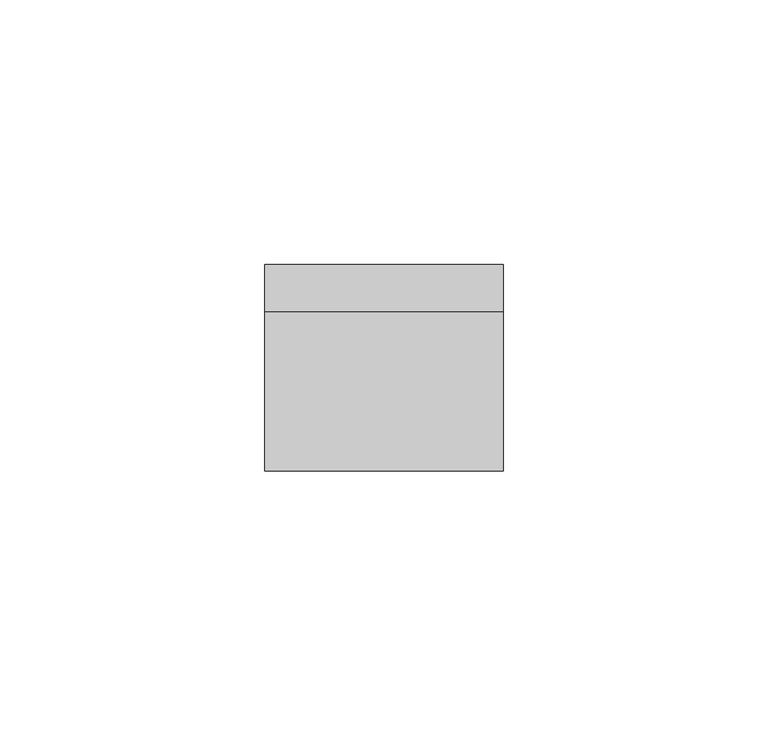
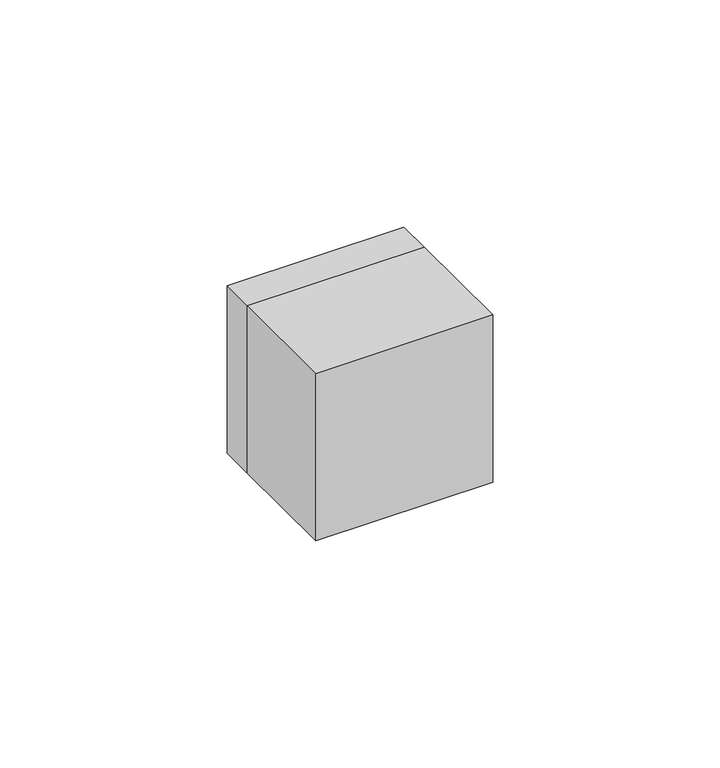
"""IFC4 building model written with IfcOpenShell, lengths in millimetres: proxy geometry."""

from ifc_helpers import new_model, si_unit, frame, origin, place, context, project, spatial, polyline, circle_curve, outline, extrude, source, transform, mapped, element, save
from ifc_brep_helpers import plane_surface, revolved_surface, advanced_brep


def electrical_fixtures_c571c74f(model_context):
    return source(origin(), model_context, "Body", "SolidModel", [
        extrude(outline(polyline([(22.5, -30.0), (-22.5, -30.0), (-22.5, 0.0), (22.5, 0.0), (22.5, -30.0)])), frame((0.0, 0.0, -22.5), z_axis=(0.0, 0.0, 1.0), x_axis=(1.0, 0.0, 0.0)), (0.0, 0.0, 1.0), 45.0),
        advanced_brep(
        [(22.5, 9.0, 22.5), (22.5, 9.0, -22.5), (-22.5, 9.0, -22.5), (-22.5, 9.0, 22.5), (-18.0, 9.0, 0.0), (18.0, 9.0, 0.0), (22.5, 0.0, 22.5), (-22.5, 0.0, 22.5), (-22.5, 0.0, -22.5), (22.5, 0.0, -22.5), (-7.0, 0.0, 0.0), (-12.0, 0.0, 0.0), (12.0, 0.0, 0.0), (7.0, 0.0, 0.0), (8.9731851, 0.0, 17.8120198), (12.5935718, 0.0, 21.4324065), (21.4324065, 0.0, 12.5935718), (17.8120198, 0.0, 8.9731851), (-17.8120198, 0.0, 8.9731851), (-21.4324065, 0.0, 12.5935718), (-12.5935718, 0.0, 21.4324065), (-8.9731851, 0.0, 17.8120198), (11.5329116, 0.0, 18.9575328), (18.9575328, 0.0, 11.5329116), (20.018193, 0.0, 12.5935718), (12.5935718, 0.0, 20.018193), (-18.9575328, 0.0, 11.5329116), (-11.5329116, 0.0, 18.9575328), (-12.5935718, 0.0, 20.018193), (-20.018193, 0.0, 12.5935718), (-7.0, 1.0, 0.0), (-12.0, 1.0, 0.0), (12.0, 1.0, 0.0), (7.0, 1.0, 0.0), (-18.0, 1.0, 0.0), (18.0, 1.0, 0.0), (8.9731851, 1.0, 17.8120198), (12.5935718, 1.0, 21.4324065), (17.8120198, 1.0, 8.9731851), (21.4324065, 1.0, 12.5935718), (11.5329116, 1.0, 18.9575328), (18.9575328, 1.0, 11.5329116), (12.5935718, 1.0, 20.018193), (20.018193, 1.0, 12.5935718), (-17.8120198, 1.0, 8.9731851), (-21.4324065, 1.0, 12.5935718), (-8.9731851, 1.0, 17.8120198), (-12.5935718, 1.0, 21.4324065), (-18.9575328, 1.0, 11.5329116), (-11.5329116, 1.0, 18.9575328), (-20.018193, 1.0, 12.5935718), (-12.5935718, 1.0, 20.018193)],
        [
            (0, 1),
            (1, 2),
            (2, 3),
            (3, 0),
            (4, 5, circle_curve(frame((0.0, 9.0, 0.0), z_axis=(0.0, -1.0, 0.0), x_axis=(1.0, 0.0, 0.0)), 18.0)),
            (5, 4, circle_curve(frame((0.0, 9.0, 0.0), z_axis=(0.0, -1.0, 0.0), x_axis=(1.0, 0.0, 0.0)), 18.0)),
            (6, 7),
            (7, 8),
            (8, 9),
            (9, 6),
            (10, 11, circle_curve(frame((-9.5, 0.0, 0.0), z_axis=(0.0, 1.0, 0.0), x_axis=(1.0, 0.0, 0.0)), 2.5)),
            (11, 10, circle_curve(frame((-9.5, 0.0, 0.0), z_axis=(0.0, 1.0, 0.0), x_axis=(1.0, 0.0, 0.0)), 2.5)),
            (12, 13, circle_curve(frame((9.5, 0.0, 0.0), z_axis=(0.0, 1.0, 0.0), x_axis=(1.0, 0.0, 0.0)), 2.5)),
            (13, 12, circle_curve(frame((9.5, 0.0, 0.0), z_axis=(0.0, 1.0, 0.0), x_axis=(1.0, 0.0, 0.0)), 2.5)),
            (14, 15),
            (15, 16),
            (16, 17),
            (17, 14),
            (18, 19),
            (19, 20),
            (20, 21),
            (21, 18),
            (22, 23),
            (23, 24),
            (24, 25),
            (25, 22),
            (26, 27),
            (27, 28),
            (28, 29),
            (29, 26),
            (3, 7),
            (6, 0),
            (2, 8),
            (1, 9),
            (10, 30),
            (30, 31, circle_curve(frame((-9.5, 1.0, 0.0), z_axis=(0.0, 1.0, 0.0), x_axis=(1.0, 0.0, 0.0)), 2.5)),
            (31, 11),
            (31, 30, circle_curve(frame((-9.5, 1.0, 0.0), z_axis=(0.0, 1.0, 0.0), x_axis=(1.0, 0.0, 0.0)), 2.5)),
            (12, 32),
            (32, 33, circle_curve(frame((9.5, 1.0, 0.0), z_axis=(0.0, 1.0, 0.0), x_axis=(1.0, 0.0, 0.0)), 2.5)),
            (33, 13),
            (33, 32, circle_curve(frame((9.5, 1.0, 0.0), z_axis=(0.0, 1.0, 0.0), x_axis=(1.0, 0.0, 0.0)), 2.5)),
            (34, 35, circle_curve(frame((0.0, 1.0, 0.0), z_axis=(0.0, 1.0, 0.0), x_axis=(1.0, 0.0, 0.0)), 18.0)),
            (35, 34, circle_curve(frame((0.0, 1.0, 0.0), z_axis=(0.0, 1.0, 0.0), x_axis=(1.0, 0.0, 0.0)), 18.0)),
            (35, 5),
            (4, 34),
            (36, 37),
            (37, 15),
            (14, 36),
            (38, 36),
            (17, 38),
            (39, 38),
            (16, 39),
            (37, 39),
            (40, 41),
            (41, 23),
            (22, 40),
            (42, 40),
            (25, 42),
            (43, 42),
            (24, 43),
            (41, 43),
            (44, 45),
            (45, 19),
            (18, 44),
            (46, 44),
            (21, 46),
            (47, 46),
            (20, 47),
            (45, 47),
            (48, 49),
            (49, 27),
            (26, 48),
            (50, 48),
            (29, 50),
            (51, 50),
            (28, 51),
            (49, 51),
        ],
        [
            plane_surface(frame((-39.0, 9.0, 22.5), z_axis=(0.0, 1.0, 0.0), x_axis=(1.0, 0.0, 0.0))),
            plane_surface(frame((-39.0, 0.0, 22.5), z_axis=(0.0, -1.0, 0.0), x_axis=(-1.0, 0.0, 0.0))),
            plane_surface(frame((22.5, 0.0, 22.5), z_axis=(0.0, 0.0, 1.0), x_axis=(0.0, 1.0, 0.0))),
            plane_surface(frame((-22.5, 0.0, 22.5), z_axis=(-1.0, 0.0, 0.0), x_axis=(0.0, 1.0, 0.0))),
            plane_surface(frame((-22.5, 0.0, -22.5), z_axis=(0.0, 0.0, -1.0), x_axis=(0.0, 1.0, 0.0))),
            plane_surface(frame((22.5, 0.0, -22.5), z_axis=(1.0, 0.0, 0.0), x_axis=(0.0, 1.0, 0.0))),
            revolved_surface(polyline([(-7.0, 0.0, 0.0), (-7.0, 1.0, 0.0)]), (-9.5, 1.0, 0.0), (0.0, -1.0, 0.0)),
            revolved_surface(polyline([(12.0, 0.0, 0.0), (12.0, 1.0, 0.0)]), (9.5, 0.0, 0.0), (0.0, -1.0, 0.0)),
            plane_surface(frame((18.0, 1.0, 0.0), z_axis=(0.0, 1.0, 0.0), x_axis=(0.0, 0.0, 1.0))),
            revolved_surface(polyline([(18.0, 1.0, 0.0), (18.0, 9.0, 0.0)]), (0.0, 9.0, 0.0), (0.0, -1.0, 0.0)),
            plane_surface(frame((12.5935718, 0.0, 21.4324065), z_axis=(0.7071067811865481, 0.0, -0.7071067811865469), x_axis=(0.0, 1.0, 0.0))),
            plane_surface(frame((8.9731851, 0.0, 17.8120198), z_axis=(0.707106781186547, 0.0, 0.7071067811865481), x_axis=(0.0, 1.0, 0.0))),
            plane_surface(frame((17.8120198, 0.0, 8.9731851), z_axis=(-0.707106781186549, 0.0, 0.7071067811865461), x_axis=(0.0, 1.0, 0.0))),
            plane_surface(frame((21.4324065, 0.0, 12.5935718), z_axis=(-0.7071067811865469, 0.0, -0.7071067811865482), x_axis=(0.0, 1.0, 0.0))),
            plane_surface(frame((18.9575328, 0.0, 11.5329116), z_axis=(-0.7071067811865468, 0.0, -0.7071067811865482), x_axis=(0.0, 1.0, 0.0))),
            plane_surface(frame((11.5329116, 0.0, 18.9575328), z_axis=(-0.7071067811865503, 0.0, 0.7071067811865447), x_axis=(0.0, 1.0, 0.0))),
            plane_surface(frame((12.5935718, 0.0, 20.018193), z_axis=(0.7071067811865468, 0.0, 0.7071067811865482), x_axis=(0.0, 1.0, 0.0))),
            plane_surface(frame((20.018193, 0.0, 12.5935718), z_axis=(0.7071067811865489, 0.0, -0.7071067811865461), x_axis=(0.0, 1.0, 0.0))),
            plane_surface(frame((-21.4324065, 0.0, 12.5935718), z_axis=(0.7071067811865465, 0.0, 0.7071067811865486), x_axis=(0.0, 1.0, 0.0))),
            plane_surface(frame((-17.8120198, 0.0, 8.9731851), z_axis=(-0.7071067811865488, 0.0, 0.7071067811865464), x_axis=(0.0, 1.0, 0.0))),
            plane_surface(frame((-8.9731851, 0.0, 17.8120198), z_axis=(-0.707106781186546, 0.0, -0.7071067811865491), x_axis=(0.0, 1.0, 0.0))),
            plane_surface(frame((-12.5935718, 0.0, 21.4324065), z_axis=(0.707106781186549, 0.0, -0.7071067811865461), x_axis=(0.0, 1.0, 0.0))),
            plane_surface(frame((-11.5329116, 0.0, 18.9575328), z_axis=(0.7071067811865488, 0.0, -0.7071067811865462), x_axis=(0.0, 1.0, 0.0))),
            plane_surface(frame((-18.9575328, 0.0, 11.5329116), z_axis=(-0.7071067811865455, 0.0, -0.7071067811865497), x_axis=(0.0, 1.0, 0.0))),
            plane_surface(frame((-20.018193, 0.0, 12.5935718), z_axis=(-0.7071067811865489, 0.0, 0.7071067811865462), x_axis=(0.0, 1.0, 0.0))),
            plane_surface(frame((-12.5935718, 0.0, 20.018193), z_axis=(0.7071067811865469, 0.0, 0.7071067811865482), x_axis=(0.0, 1.0, 0.0))),
            plane_surface(frame((12.5935718, 1.0, 21.4324065), z_axis=(0.0, -1.0, 0.0), x_axis=(0.7071067811865469, 0.0, 0.7071067811865481))),
            plane_surface(frame((-21.4324065, 1.0, 12.5935718), z_axis=(0.0, -1.0, 0.0), x_axis=(-0.7071067811865486, 0.0, 0.7071067811865465))),
        ],
        [
            (0, [[1, 2, 3, 4], [5, 6]]),
            (1, [[7, 8, 9, 10], [11, 12], [13, 14], [15, 16, 17, 18], [19, 20, 21, 22]]),
            (1, [[23, 24, 25, 26]]),
            (1, [[27, 28, 29, 30]]),
            (2, [[-4, 31, -7, 32]]),
            (3, [[-3, 33, -8, -31]]),
            (4, [[-2, 34, -9, -33]]),
            (5, [[-1, -32, -10, -34]]),
            (6, [[35, 36, 37, -11]]),
            (6, [[-35, -12, -37, 38]]),
            (7, [[39, 40, 41, -13]]),
            (7, [[-39, -14, -41, 42]]),
            (8, [[43, 44], [-36, -38], [-40, -42]]),
            (9, [[-44, 45, -5, 46]]),
            (9, [[-43, -46, -6, -45]]),
            (10, [[47, 48, -15, 49]]),
            (11, [[50, -49, -18, 51]]),
            (12, [[52, -51, -17, 53]]),
            (13, [[54, -53, -16, -48]]),
            (14, [[55, 56, -23, 57]]),
            (15, [[58, -57, -26, 59]]),
            (16, [[60, -59, -25, 61]]),
            (17, [[62, -61, -24, -56]]),
            (18, [[63, 64, -19, 65]]),
            (19, [[66, -65, -22, 67]]),
            (20, [[68, -67, -21, 69]]),
            (21, [[70, -69, -20, -64]]),
            (22, [[71, 72, -27, 73]]),
            (23, [[74, -73, -30, 75]]),
            (24, [[76, -75, -29, 77]]),
            (25, [[78, -77, -28, -72]]),
            (26, [[-47, -50, -52, -54], [-55, -58, -60, -62]]),
            (27, [[-63, -66, -68, -70], [-71, -74, -76, -78]]),
        ],
    ),
    ])


if __name__ == "__main__":
    model = new_model("IFC4")
    model_context = context("Model", 3, world=origin())
    ifc_project = project(units=[si_unit("LENGTHUNIT", "METRE", prefix="MILLI")], contexts=[model_context])
    site = spatial("IfcSite", under=ifc_project)
    building = spatial("IfcBuilding", under=site)
    placement = place(None, origin())
    electrical_fixtures_shape = electrical_fixtures_c571c74f(model_context)
    element("IfcBuildingElementProxy", 1, Name="Electrical Fixtures", at=placement, inside=building, context=model_context, shape_type="MappedRepresentation", body=[
        mapped(electrical_fixtures_shape, transform((0.0, 0.0, 0.0), x_axis=(1.0, 0.0, 0.0), y_axis=(0.0, 1.0, 0.0), z_axis=(0.0, 0.0, 1.0))),
    ])
    save(model, "model.ifc")
